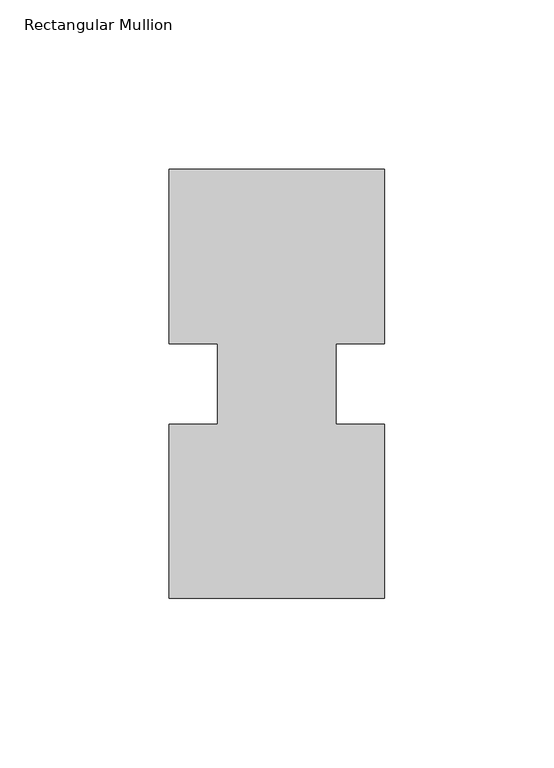
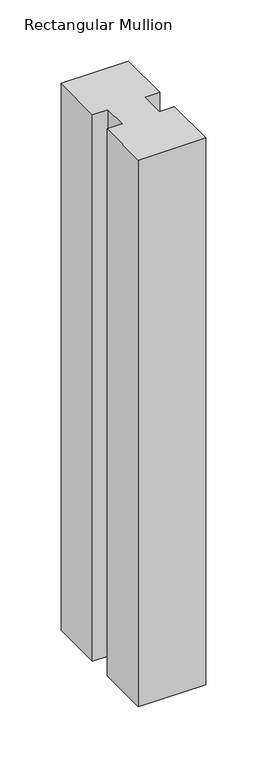
"""IFC4 building model written with IfcOpenShell, lengths in millimetres: member geometry, Rectangular Mullion."""

from ifc_helpers import new_model, si_unit, frame, origin, place, context, project, spatial, polyline, outline, extrude, source, transform, mapped, element, save


def rectangular_mullion_ee03e222(model_context):
    return source(origin(), model_context, "Body", "SweptSolid", [
        extrude(outline(polyline([(0.0, 0.26035), (-63.5, 0.26035), (-63.5, 51.60645), (-49.2125, 51.60645), (-49.2125, 75.40625), (-63.5, 75.40625), (-63.5, 126.75235), (0.0, 126.75235), (0.0, 75.40625), (-14.2748, 75.40625), (-14.2748, 51.60645), (0.0, 51.60645), (0.0, 0.26035)])), frame((0.0, 0.0, -546.0999994), z_axis=(0.0, 0.0, 1.0), x_axis=(1.0, 0.0, 0.0)), (0.0, 0.0, 1.0), 546.0999994),
    ])


if __name__ == "__main__":
    model = new_model("IFC4")
    model_context = context("Model", 3, world=origin())
    ifc_project = project(units=[si_unit("LENGTHUNIT", "METRE", prefix="MILLI")], contexts=[model_context])
    site = spatial("IfcSite", under=ifc_project)
    building = spatial("IfcBuilding", under=site)
    placement = place(None, origin())
    rectangular_mullion_shape = rectangular_mullion_ee03e222(model_context)
    element("IfcMember", 1, ObjectType="Rectangular Mullion", at=placement, inside=building, context=model_context, shape_type="MappedRepresentation", body=[
        mapped(rectangular_mullion_shape, transform((0.0, 0.0, 0.0), x_axis=(1.0, 0.0, 0.0), y_axis=(0.0, 1.0, 0.0), z_axis=(0.0, 0.0, 1.0))),
    ])
    save(model, "model.ifc")
